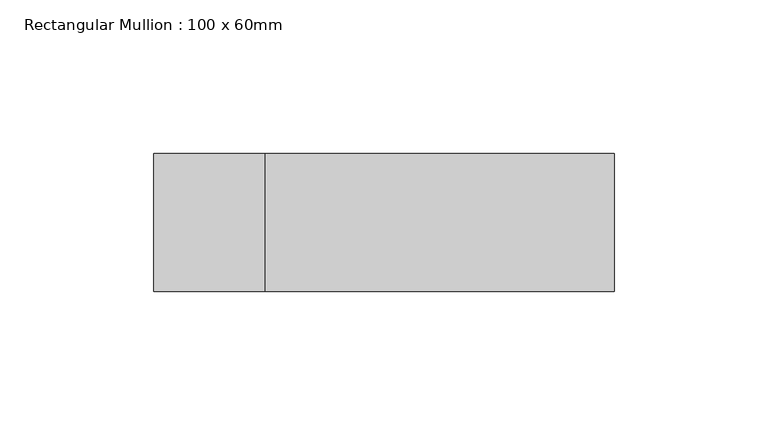
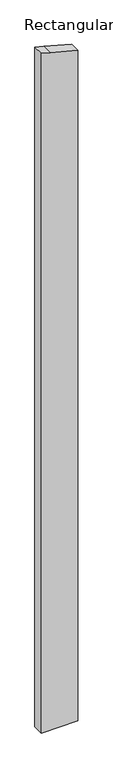
"""IFC4 building model written with IfcOpenShell, lengths in millimetres: member geometry, Rectangular Mullion : 100 x 60mm."""

from ifc_helpers import new_model, si_unit, frame, origin, place, context, project, spatial, polyline, outline, extrude, source, transform, mapped, element, save


def rectangular_mullion_100_x_60mm_8076ce35(model_context):
    return source(origin(), model_context, "Body", "SweptSolid", [
        extrude(outline(polyline([(-175.3876165, 75.0), (-144.8888739, -38.8228568), (-135.1952376, -75.0), (-3077.3482466, -75.0), (-3077.3482466, 75.0), (-175.3876165, 75.0)])), frame((0.0, -30.0, 0.0), z_axis=(0.0, 1.0, 0.0), x_axis=(0.0, 0.0, 1.0)), (0.0, 0.0, 1.0), 45.0),
    ])


if __name__ == "__main__":
    model = new_model("IFC4")
    model_context = context("Model", 3, world=origin())
    ifc_project = project(units=[si_unit("LENGTHUNIT", "METRE", prefix="MILLI")], contexts=[model_context])
    site = spatial("IfcSite", under=ifc_project)
    building = spatial("IfcBuilding", under=site)
    placement = place(None, origin())
    rectangular_mullion_100_x_60mm_shape = rectangular_mullion_100_x_60mm_8076ce35(model_context)
    element("IfcMember", 1, ObjectType="Rectangular Mullion : 100 x 60mm", at=placement, inside=building, context=model_context, shape_type="MappedRepresentation", body=[
        mapped(rectangular_mullion_100_x_60mm_shape, transform((0.0, 0.0, 0.0), x_axis=(1.0, 0.0, 0.0), y_axis=(0.0, 1.0, 0.0), z_axis=(0.0, 0.0, 1.0))),
    ])
    save(model, "model.ifc")
